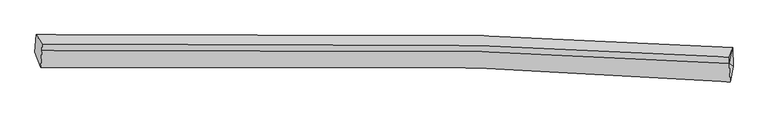
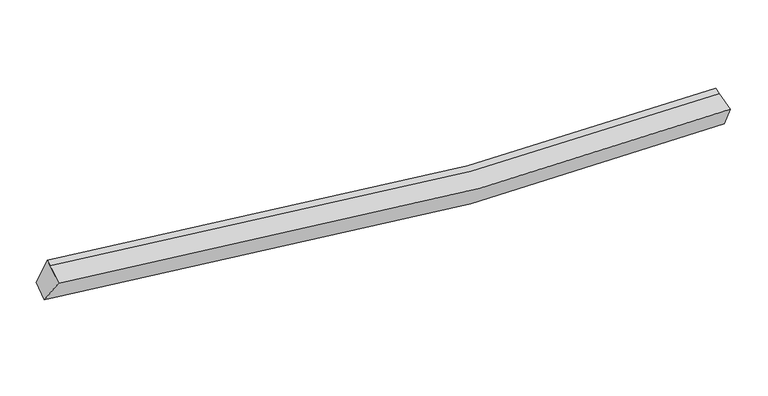
"""IFC4 building model written with IfcOpenShell, lengths in millimetres: proxy geometry."""

from ifc_helpers import new_model, si_unit, frame, origin, place, context, project, spatial, source, transform, mapped, element, save
from ifc_brep_helpers import plane_surface, spline_curve, spline_surface, advanced_brep


def generic_models_5bacc896(model_context):
    return source(origin(), model_context, "Body", "AdvancedBrep", [
        advanced_brep(
        [(-8557.4369284, -1986.2483564, 3337.5661384), (-8527.4210472, -1582.3235776, 3543.2744889), (7897.7634378, -1888.6125534, 2500.2744355), (7910.0481599, -2327.7105905, 2336.069361), (-8422.9459481, -2351.7963549, 3943.1128641), (7842.3414601, -2698.0426699, 2967.4679063), (-8394.3706293, -1958.5748954, 4140.210442), (7819.1728763, -2260.6424171, 3109.3863334), (-8388.4014582, -1807.1211548, 4191.456256), (7825.1420473, -2109.1886765, 3160.6321474)],
        [
            (0, 1),
            (1, 2, spline_curve(3, [(-8527.4210472, -1582.3235776, 3543.2744889), (-5062.287856464, -1482.07366152, 2842.018385105), (-1587.991658096, -1486.771498266, 2446.008866688), (3893.219149043, -1659.298448551, 2303.193711298), (5893.984444367, -1756.696936744, 2351.536545079), (7897.7634378, -1888.6125534, 2500.2744355)], [4, 2, 4], [0.0, 34.454149215024685, 54.213482562018356])),
            (2, 3),
            (3, 0, spline_curve(3, [(7910.0481599, -2327.7105905, 2336.069361), (5893.823221467, -2184.053204062, 2188.429422965), (3883.275112118, -2077.635024045, 2138.946598178), (-1617.469893444, -1887.829378487, 2272.493750906), (-5096.083479571, -1880.426812763, 2655.808834354), (-8557.4369284, -1986.2483564, 3337.5661384)], [4, 2, 4], [0.0, 19.75933334699367, 54.213482562018356])),
            (4, 0),
            (3, 5),
            (5, 4, spline_curve(3, [(7842.3414601, -2698.0426699, 2967.4679063), (5851.386329878, -2552.194632819, 2815.79504962), (3865.85120943, -2444.172394863, 2762.604473763), (-1566.970542719, -2251.575139753, 2886.87086346), (-5003.197891708, -2244.18193913, 3265.276426239), (-8422.9459481, -2351.7963549, 3943.1128641)], [4, 2, 4], [0.0, 19.66195113699098, 53.94629597980327])),
            (6, 4),
            (5, 7),
            (7, 6, spline_curve(3, [(7819.1728763, -2260.6424171, 3109.3863334), (5845.750638239, -2136.557386339, 2980.255252584), (3873.649375524, -2044.32237628, 2943.833929679), (-1533.560516017, -1878.644690699, 3098.27193868), (-4965.973755243, -1870.190527686, 3478.301297988), (-8394.3706293, -1958.5748954, 4140.210442)], [4, 2, 4], [0.0, 19.507953124241638, 53.52377319362627])),
            (8, 6),
            (7, 9),
            (9, 8, spline_curve(3, [(7825.1420473, -2109.1886765, 3160.6321474), (5851.719809085, -1985.10364619, 3031.501066605), (3879.618546946, -1892.868635778, 2995.079743761), (-1527.59134548, -1727.190949928, 3149.517752263), (-4960.004584412, -1718.736787163, 3529.547111428), (-8388.4014582, -1807.1211548, 4191.456256)], [4, 2, 4], [0.0, 19.475145642728904, 53.433759639238566])),
            (1, 8),
            (9, 2),
            (7, 2),
            (3, 7),
        ],
        [
            spline_surface(3, 3, [[(-8557.4369284, -1986.2483564, 3337.5661384), (-5096.083480125, -1880.426813226, 2655.808834425), (-1617.469893547, -1887.829378263, 2272.493750584), (3883.275112177, -2077.635024173, 2138.946598362), (5893.823221703, -2184.053203826, 2188.429423072), (7910.0481599, -2327.7105905, 2336.069361)], [(-8547.431634662, -1851.606763467, 3406.135588565), (-5084.818272301, -1747.642429416, 2717.878684784), (-1607.643814906, -1754.143418418, 2330.332122762), (3886.589791027, -1938.189498872, 2193.695635912), (5893.876962702, -2041.601114748, 2242.7984637), (7905.953252537, -2181.344578134, 2390.804385858)], [(-8537.426340938, -1716.965170533, 3474.705038735), (-5073.553064492, -1614.858045605, 2779.948535146), (-1597.817736237, -1620.457458584, 2388.170494965), (3889.904469906, -1798.743973581, 2248.444673487), (5893.93070369, -1899.149025669, 2297.167504253), (7901.858345163, -2034.978565766, 2445.539410642)], [(-8527.4210472, -1582.3235776, 3543.2744889), (-5062.287856668, -1482.073661795, 2842.018385504), (-1587.991657596, -1486.77149874, 2446.008867144), (3893.219148757, -1659.298448279, 2303.193711037), (5893.984444689, -1756.696936591, 2351.536544881), (7897.7634378, -1888.6125534, 2500.2744355)]], [4, 4], [4, 2, 4], [0.0, 1.4495894249436252], [0.0, 34.454149215024685, 54.213482562018356]),
            spline_surface(3, 3, [[(-8422.9459481, -2351.7963549, 3943.1128641), (-5003.197891686, -2244.181939121, 3265.276425772), (-1566.970542681, -2251.575139755, 2886.870863738), (3865.851209408, -2444.172394862, 2762.604473604), (5851.386329786, -2552.194632576, 2815.795049679), (7842.3414601, -2698.0426699, 2967.4679063)], [(-8467.776274847, -2229.947022077, 3741.263955521), (-5034.15975448, -2122.930230499, 3062.120561978), (-1583.80365962, -2130.326552583, 2682.078492695), (3871.659177014, -2321.993271292, 2554.718515199), (5865.531960433, -2429.480823015, 2606.673174118), (7864.910360042, -2574.598643456, 2757.001724508)], [(-8512.606601653, -2108.097689223, 3539.415046979), (-5065.121617331, -2001.678521847, 2858.964698219), (-1600.636776608, -2009.077965435, 2477.286121626), (3877.467144571, -2199.814147744, 2346.832556767), (5879.677591055, -2306.767013387, 2397.551298633), (7887.479259958, -2451.154616944, 2546.535542792)], [(-8557.4369284, -1986.2483564, 3337.5661384), (-5096.083480125, -1880.426813226, 2655.808834425), (-1617.469893547, -1887.829378263, 2272.493750584), (3883.275112177, -2077.635024173, 2138.946598362), (5893.823221703, -2184.053203826, 2188.429423072), (7910.0481599, -2327.7105905, 2336.069361)]], [4, 4], [4, 2, 4], [0.0, 2.3530933578916797], [0.0, 34.28434484281229, 53.94629597980327]),
            spline_surface(3, 3, [[(-8394.3706293, -1958.5748954, 4140.210442), (-4965.973755499, -1870.190527276, 3478.301297615), (-1533.560516245, -1878.644690795, 3098.271938611), (3873.649375654, -2044.322376225, 2943.833929719), (5845.750638283, -2136.557386602, 2980.255252513), (7819.1728763, -2260.6424171, 3109.3863334)], [(-8403.895735571, -2089.648715227, 4074.511249359), (-4978.381800899, -1994.854331218, 3407.293006993), (-1544.697191737, -2002.954840451, 3027.804913661), (3871.049986892, -2177.605715774, 2883.424111021), (5847.62920213, -2275.103135245, 2925.435184902), (7826.895737579, -2406.442501351, 3062.080191034)], [(-8413.420841829, -2220.722535073, 4008.812056741), (-4990.789846286, -2119.518135178, 3336.284716393), (-1555.833867189, -2127.264990099, 2957.337888688), (3868.45059817, -2310.889055314, 2823.014292301), (5849.507765939, -2413.648883933, 2870.61511729), (7834.618598821, -2552.242585649, 3014.774048666)], [(-8422.9459481, -2351.7963549, 3943.1128641), (-5003.197891686, -2244.181939121, 3265.276425772), (-1566.970542681, -2251.575139755, 2886.870863738), (3865.851209408, -2444.172394862, 2762.604473604), (5851.386329786, -2552.194632576, 2815.795049679), (7842.3414601, -2698.0426699, 2967.4679063)]], [4, 4], [4, 2, 4], [0.0, 1.4191650485394918], [0.0, 34.01582006938463, 53.52377319362627]),
            spline_surface(3, 3, [[(-8388.4014582, -1807.1211548, 4191.456256), (-4960.004584399, -1718.736786676, 3529.547111615), (-1527.591345145, -1727.190950195, 3149.517752511), (3879.618546754, -1892.868635625, 2995.079743619), (5851.719809283, -1985.103646002, 3031.501066513), (7825.1420473, -2109.1886765, 3160.6321474)], [(-8390.391181894, -1857.60573501, 4174.374318021), (-4961.994308093, -1769.221366886, 3512.465173635), (-1529.581068839, -1777.675530404, 3132.435814532), (3877.62882306, -1943.353215835, 2977.997805639), (5849.730085589, -2035.588226212, 3014.419128534), (7823.152323606, -2159.67325671, 3143.550209421)], [(-8392.380905606, -1908.09031519, 4157.292379979), (-4963.984031805, -1819.705947066, 3495.383235594), (-1531.570792551, -1828.160110585, 3115.35387659), (3875.639099348, -1993.837796016, 2960.915867698), (5847.740361977, -2086.072806393, 2997.337190492), (7821.162599994, -2210.15783689, 3126.468271379)], [(-8394.3706293, -1958.5748954, 4140.210442), (-4965.973755499, -1870.190527276, 3478.301297615), (-1533.560516245, -1878.644690795, 3098.271938611), (3873.649375654, -2044.322376225, 2943.833929719), (5845.750638283, -2136.557386602, 2980.255252513), (7819.1728763, -2260.6424171, 3109.3863334)]], [4, 4], [4, 2, 4], [0.0, 0.5249343832021024], [0.0, 33.95861399650966, 53.433759639238566]),
            spline_surface(3, 3, [[(-8527.4210472, -1582.3235776, 3543.2744889), (-5062.287856668, -1482.073661795, 2842.018385504), (-1587.991657596, -1486.77149874, 2446.008867144), (3893.219148757, -1659.298448279, 2303.193711037), (5893.984444689, -1756.696936591, 2351.536544881), (7897.7634378, -1888.6125534, 2500.2744355)], [(-8481.081184226, -1657.256103319, 3759.335077933), (-5028.193432604, -1560.961370074, 3071.194627541), (-1567.858220112, -1566.91131589, 2680.511828937), (3888.685614756, -1737.155177393, 2533.822388568), (5879.89623289, -1832.832506378, 2578.191385404), (7873.556307636, -1962.13792775, 2720.393672779)], [(-8434.741321174, -1732.188629081, 3975.395666967), (-4994.099008463, -1639.849078397, 3300.370869578), (-1547.724782629, -1647.051133044, 2915.014790717), (3884.152080754, -1815.011906511, 2764.451066087), (5865.808021083, -1908.968076216, 2804.84622599), (7849.349177464, -2035.66330215, 2940.512910121)], [(-8388.4014582, -1807.1211548, 4191.456256), (-4960.004584399, -1718.736786676, 3529.547111615), (-1527.591345145, -1727.190950195, 3149.517752511), (3879.618546754, -1892.868635625, 2995.079743619), (5851.719809283, -1985.103646002, 3031.501066513), (7825.1420473, -2109.1886765, 3160.6321474)]], [4, 4], [4, 2, 4], [0.0, 2.4222292581920803], [0.0, 34.185797929705444, 53.79123275876953]),
            plane_surface(frame((-8458.1152022, -1937.2128678, 3831.1240379), z_axis=(-0.9793704289929337, -0.0290630725665742, 0.1999722496427619), x_axis=(-0.06607323952175481, -0.889149929262066, -0.4528208589634136))),
            plane_surface(frame((7847.3594538, -2086.1478823, 2923.4309721), z_axis=(0.9939040051050537, -0.06842259305805744, 0.0864475412914969), x_axis=(0.10944953926787984, 0.5181092532927353, -0.8482827358885086))),
            plane_surface(frame((7857.1874988, -2428.7985592, 2804.3078669), z_axis=(0.9932033613678322, 0.015166402720602115, 0.11539958057183822), x_axis=(0.050319351607778215, -0.9499802519502628, -0.30822959585070364))),
            plane_surface(frame((7875.6614913, -2158.9885203, 2648.57671), z_axis=(0.9928669219478516, -0.01638574816995493, 0.11809649680964271), x_axis=(0.1162799780377049, -0.08581745682745312, -0.9895020620550617))),
        ],
        [
            (0, [[1, 2, 3, 4]]),
            (1, [[5, -4, 6, 7]]),
            (2, [[8, -7, 9, 10]]),
            (3, [[11, -10, 12, 13]]),
            (4, [[14, -13, 15, -2]]),
            (5, [[-1, -5, -8, -11, -14]]),
            (6, [[16, -15, -12]]),
            (7, [[-9, -6, 17]]),
            (8, [[-17, -3, -16]]),
        ],
    ),
    ])


if __name__ == "__main__":
    model = new_model("IFC4")
    model_context = context("Model", 3, world=origin())
    ifc_project = project(units=[si_unit("LENGTHUNIT", "METRE", prefix="MILLI")], contexts=[model_context])
    site = spatial("IfcSite", under=ifc_project)
    building = spatial("IfcBuilding", under=site)
    placement = place(None, origin())
    generic_models_shape = generic_models_5bacc896(model_context)
    element("IfcBuildingElementProxy", 1, Name="Generic Models", at=placement, inside=building, context=model_context, shape_type="MappedRepresentation", body=[
        mapped(generic_models_shape, transform((0.0, 0.0, 0.0), x_axis=(1.0, 0.0, 0.0), y_axis=(0.0, 1.0, 0.0), z_axis=(0.0, 0.0, 1.0))),
    ])
    save(model, "model.ifc")
